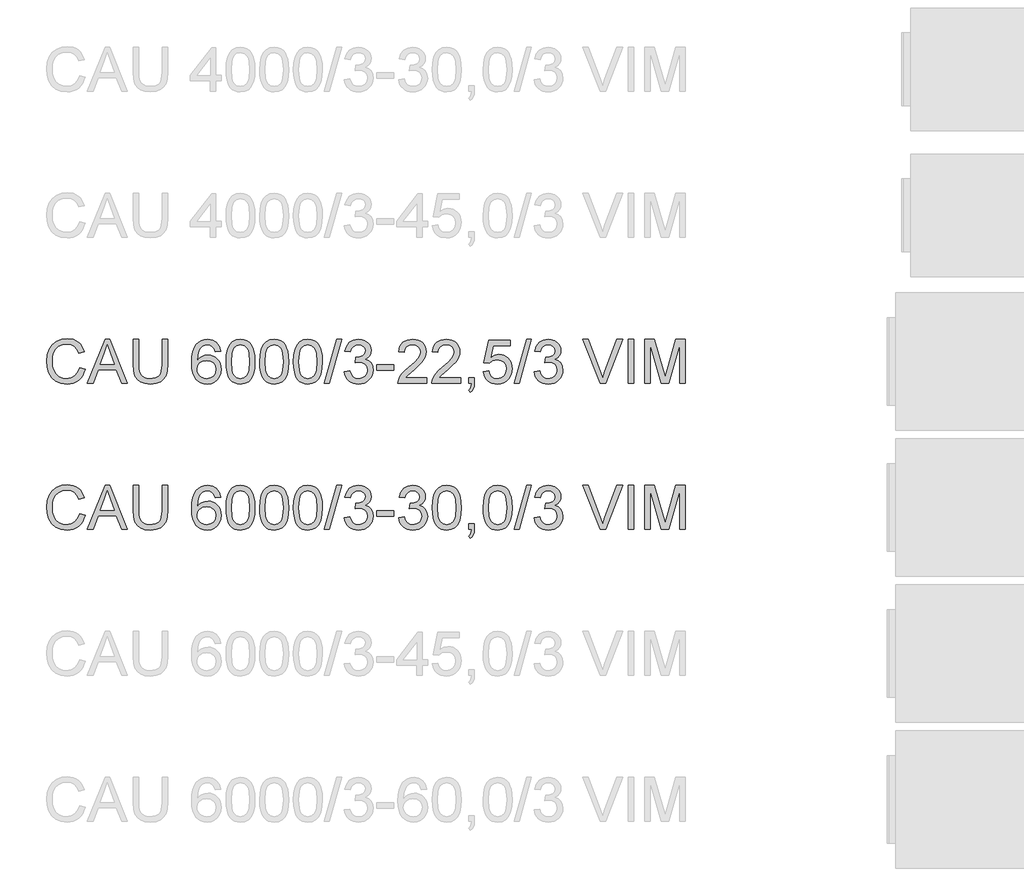
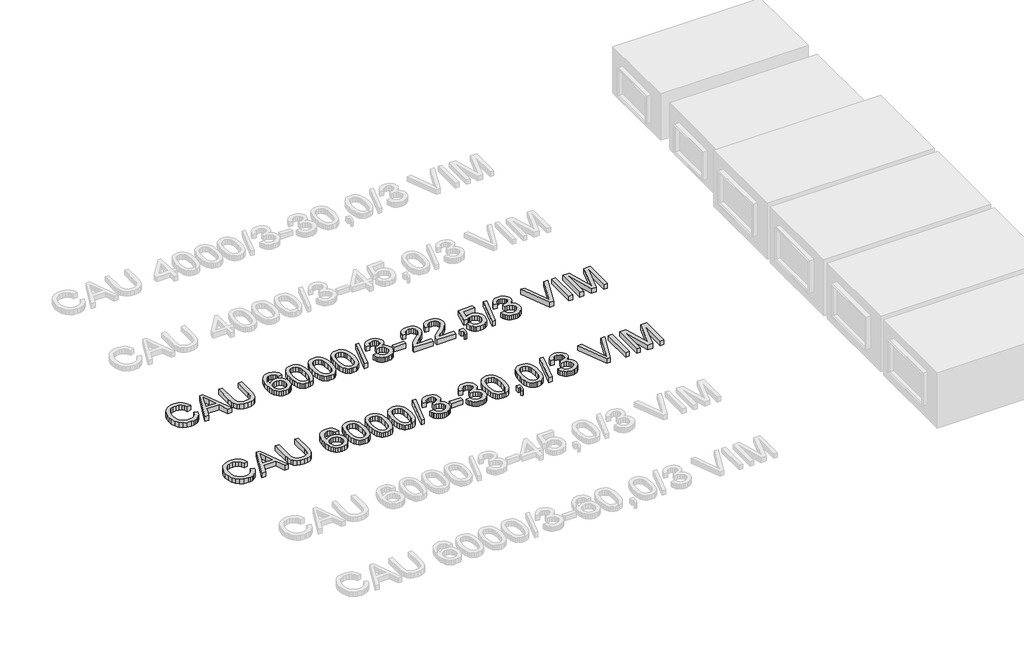
# One storey, part 60 of 74: 2 proxies.
"""IFC4 building model written with IfcOpenShell, lengths in millimetres."""

from ifc_helpers import new_model, si_unit, origin, origin_with_axes, place, context, project, spatial, polyline, outline, extrude, element, save

model = new_model("IFC4")

# Units and contexts
model_context = context("Model", 3, world=origin())
ifc_project = project(units=[si_unit("LENGTHUNIT", "METRE", prefix="MILLI")], contexts=[model_context])

# Site, building, storey
site = spatial("IfcSite", under=ifc_project)
building = spatial("IfcBuilding", under=site)
storey = spatial("IfcBuildingStorey", under=building, Elevation=0.0)

# Proxies
placement = place(None, origin())
element("IfcBuildingElementProxy", 1, Name="Generic Models", at=placement, inside=storey, context=model_context, shape_type="SweptSolid", body=[
    extrude(outline(polyline([(44539.6928381, -11799.1632103), (44577.3639544, -11808.875295), (44569.9097455, -11832.3024803), (44559.9815302, -11852.7728141), (44547.5793084, -11870.2862963), (44532.7030802, -11884.842927), (44515.688538, -11896.2863563), (44496.8713739, -11904.4602344), (44476.2515881, -11909.3645613), (44453.8291805, -11910.9993369), (44410.1339965, -11906.051324), (44375.4335273, -11891.2072855), (44348.835659, -11866.9822562), (44329.4482779, -11833.8912707), (44317.6116747, -11794.9877497), (44313.6661403, -11753.3251137), (44318.1267095, -11709.3816094), (44331.5084171, -11671.4345816), (44353.1122872, -11640.6888439), (44382.2393442, -11618.3492097), (44416.7834636, -11604.7467729), (44454.6385209, -11600.2126274), (44495.9424719, -11606.0803452), (44513.9112081, -11613.4149925), (44530.0911181, -11623.6834986), (44544.2154874, -11636.6145508), (44556.0176017, -11651.9368359), (44572.6550649, -11689.755105), (44534.9839486, -11698.7314257), (44521.9241378, -11671.2598377), (44504.081861, -11652.4150825), (44481.2363891, -11641.5165784), (44453.1669929, -11637.8837437), (44420.8117714, -11641.9120515), (44394.2322973, -11653.996975), (44374.0631669, -11672.8693214), (44360.9389767, -11697.2598977), (44353.7376866, -11724.8326532), (44351.3372566, -11753.2515373), (44354.179145, -11788.0531741), (44362.7048103, -11818.1459213), (44377.2361491, -11842.3801477), (44398.0950582, -11859.6062222), (44423.1018368, -11869.897721), (44450.0767841, -11873.3282206), (44481.5214977, -11868.6561192), (44507.7238928, -11854.6398152), (44527.5067471, -11831.4264613), (44539.6928381, -11799.1632103)])), origin_with_axes(), (0.0, 0.0, 1.0), 50.0),
    extrude(outline(polyline([(44594.065797, -11906.2904473), (44714.3632095, -11604.9215169), (44746.4425194, -11604.9215169), (44866.7399319, -11906.2904473), (44826.9351, -11906.2904473), (44792.4277688, -11812.1126566), (44668.3043837, -11812.1126566), (44633.8706289, -11906.2904473), (44594.065797, -11906.2904473)]), holes=[polyline([(44682.1367467, -11774.4415403), (44778.6689822, -11774.4415403), (44751.519291, -11700.3501064), (44730.4028644, -11642.5926332), (44711.6408827, -11693.8753833), (44682.1367467, -11774.4415403)])]), origin_with_axes(), (0.0, 0.0, 1.0), 50.0),
    extrude(outline(polyline([(45104.7595827, -11604.9215169), (45142.430699, -11604.9215169), (45142.430699, -11778.7825478), (45139.8739192, -11819.4978876), (45132.2035796, -11850.8506307), (45117.8745759, -11875.0388719), (45095.3418037, -11894.2607061), (45064.5500807, -11906.8146792), (45025.4442246, -11910.9993369), (44987.1936941, -11907.3573051), (44956.6135033, -11896.4312099), (44933.694455, -11878.5981302), (44918.4273522, -11854.235145), (44909.8465046, -11821.5580268), (44906.9862221, -11778.7825478), (44906.9862221, -11604.9215169), (44944.6573384, -11604.9215169), (44944.6573384, -11777.4581726), (44946.5151425, -11811.3125132), (44952.0885547, -11834.8845521), (44962.1869155, -11851.2093156), (44977.6195652, -11863.3218303), (44997.7427103, -11870.826623), (45021.9125574, -11873.3282206), (45060.2274672, -11868.3802077), (45074.5702665, -11862.1951917), (45085.7032954, -11853.5361692), (45094.0404211, -11841.3592752), (45099.9955109, -11824.6206444), (45104.7595827, -11777.4581726), (45104.7595827, -11604.9215169)])), origin_with_axes(), (0.0, 0.0, 1.0), 50.0),
    extrude(outline(polyline([(45505.0151935, -11684.972639), (45467.3440772, -11689.6815286), (45461.2740243, -11671.0115173), (45453.0702558, -11658.2644062), (45435.9821371, -11646.5105764), (45415.3255631, -11642.5926332), (45397.8143801, -11644.8735016), (45381.3332667, -11651.7161067), (45367.1790069, -11666.1278838), (45355.6183152, -11685.9659204), (45347.8100199, -11714.0261196), (45344.9129492, -11753.1043845), (45360.0237021, -11735.4736399), (45378.1326934, -11723.0484255), (45398.2282473, -11715.6815886), (45419.2986886, -11713.2259763), (45437.3984828, -11714.9044379), (45454.1003254, -11719.9398227), (45469.4042164, -11728.3321307), (45483.3101558, -11740.0813619), (45494.8662489, -11754.4885406), (45503.1206012, -11770.8546908), (45508.0732126, -11789.1798127), (45509.724083, -11809.4639062), (45506.6154802, -11836.4388535), (45497.2896716, -11861.4456321), (45482.5192095, -11882.6540292), (45463.076646, -11898.2338316), (45439.844898, -11907.8079606), (45413.7068823, -11910.9993369), (45391.2499857, -11908.8840154), (45370.9681915, -11902.538051), (45352.8614995, -11891.9614436), (45336.9299099, -11877.1541933), (45323.9413762, -11857.4909007), (45314.6638521, -11832.3461663), (45309.0973377, -11801.7199902), (45307.2418329, -11765.6123724), (45309.3019721, -11725.1315573), (45315.4823896, -11690.5828395), (45325.7830854, -11661.9662188), (45340.2040596, -11639.2816952), (45355.8344459, -11624.2491172), (45373.9572327, -11613.5115615), (45394.57242, -11607.069028), (45417.6800078, -11604.9215169), (45450.7342051, -11610.2374117), (45477.2033147, -11626.1850962), (45495.7445672, -11651.5137716), (45505.0151935, -11684.972639)]), holes=[polyline([(45344.9129492, -11808.875295), (45347.09265, -11825.5679405), (45353.6317525, -11841.506428), (45363.7852955, -11855.2100323), (45376.8083182, -11865.1980285), (45392.5260764, -11871.2956725), (45410.7638263, -11873.3282206), (45435.6234521, -11869.1159717), (45455.1671831, -11856.4792252), (45467.8315208, -11836.6135975), (45472.0529667, -11810.714705), (45467.8867031, -11785.8550792), (45455.3879123, -11766.8999594), (45435.5130875, -11754.8978093), (45409.2187219, -11750.8970926), (45384.3958843, -11754.8978093), (45363.6381427, -11766.8999594), (45349.5942476, -11785.3952267), (45344.9129492, -11808.875295)])]), origin_with_axes(), (0.0, 0.0, 1.0), 50.0),
    extrude(outline(polyline([(45542.6863098, -11758.0340033), (45545.4546218, -11709.7954767), (45553.7595578, -11671.324217), (45567.5183445, -11642.0316132), (45586.6482082, -11621.3290539), (45611.2871048, -11609.0234011), (45641.5729901, -11604.9215169), (45664.786344, -11607.3495381), (45685.5716767, -11614.6336016), (45702.954101, -11626.4885989), (45715.9587295, -11642.6294214), (45725.7811788, -11662.9181134), (45733.6170653, -11687.2167192), (45738.7490191, -11718.0728216), (45740.4596704, -11758.0340033), (45737.7189495, -11805.9966184), (45729.4967869, -11844.3759076), (45715.8207738, -11873.6961026), (45696.7185012, -11894.4814353), (45672.0244222, -11906.8698615), (45641.5729901, -11910.9993369), (45620.8244456, -11909.2059122), (45602.4303458, -11903.825638), (45586.3906908, -11894.8585143), (45572.7054806, -11882.3045413), (45559.5720934, -11859.6108207), (45550.1911025, -11831.3344908), (45544.562508, -11797.4755517), (45542.6863098, -11758.0340033)]), holes=[polyline([(45580.3574261, -11757.9604269), (45584.77201, -11817.2170193), (45590.29024, -11837.4850179), (45598.0157619, -11851.5128183), (45617.7342368, -11867.87437), (45641.5729901, -11873.3282206), (45665.4117434, -11867.8559759), (45685.1302183, -11851.4392419), (45692.8557402, -11837.3884489), (45698.3739702, -11817.1250488), (45702.7885541, -11757.9604269), (45698.5211229, -11700.0374067), (45693.186834, -11679.8360867), (45685.7188295, -11665.4748933), (45666.0371428, -11648.3131982), (45641.1315317, -11642.5926332), (45617.5502958, -11647.6326165), (45598.6043731, -11662.7525665), (45590.6213338, -11678.3875513), (45584.9191628, -11699.4671897), (45580.3574261, -11757.9604269)])]), origin_with_axes(), (0.0, 0.0, 1.0), 50.0),
    extrude(outline(polyline([(45773.4218972, -11758.0340033), (45776.1902092, -11709.7954767), (45784.4951452, -11671.324217), (45798.2539318, -11642.0316132), (45817.3837956, -11621.3290539), (45842.0226922, -11609.0234011), (45872.3085775, -11604.9215169), (45895.5219314, -11607.3495381), (45916.3072641, -11614.6336016), (45933.6896884, -11626.4885989), (45946.6943169, -11642.6294214), (45956.5167662, -11662.9181134), (45964.3526527, -11687.2167192), (45969.4846065, -11718.0728216), (45971.1952578, -11758.0340033), (45968.4545369, -11805.9966184), (45960.2323743, -11844.3759076), (45946.5563611, -11873.6961026), (45927.4540885, -11894.4814353), (45902.7600096, -11906.8698615), (45872.3085775, -11910.9993369), (45851.5600329, -11909.2059122), (45833.1659332, -11903.825638), (45817.1262782, -11894.8585143), (45803.441068, -11882.3045413), (45790.3076807, -11859.6108207), (45780.9266899, -11831.3344908), (45775.2980953, -11797.4755517), (45773.4218972, -11758.0340033)]), holes=[polyline([(45811.0930135, -11757.9604269), (45815.5075974, -11817.2170193), (45821.0258273, -11837.4850179), (45828.7513492, -11851.5128183), (45848.4698242, -11867.87437), (45872.3085775, -11873.3282206), (45896.1473308, -11867.8559759), (45915.8658057, -11851.4392419), (45923.5913276, -11837.3884489), (45929.1095575, -11817.1250488), (45933.5241415, -11757.9604269), (45929.2567103, -11700.0374067), (45923.9224214, -11679.8360867), (45916.4544169, -11665.4748933), (45896.7727302, -11648.3131982), (45871.8671191, -11642.5926332), (45848.2858832, -11647.6326165), (45829.3399604, -11662.7525665), (45821.3569211, -11678.3875513), (45815.6547502, -11699.4671897), (45811.0930135, -11757.9604269)])]), origin_with_axes(), (0.0, 0.0, 1.0), 50.0),
    extrude(outline(polyline([(46004.1574845, -11758.0340033), (46006.9257966, -11709.7954767), (46015.2307326, -11671.324217), (46028.9895192, -11642.0316132), (46048.119383, -11621.3290539), (46072.7582796, -11609.0234011), (46103.0441648, -11604.9215169), (46126.2575187, -11607.3495381), (46147.0428515, -11614.6336016), (46164.4252757, -11626.4885989), (46177.4299043, -11642.6294214), (46187.2523535, -11662.9181134), (46195.08824, -11687.2167192), (46200.2201939, -11718.0728216), (46201.9308451, -11758.0340033), (46199.1901243, -11805.9966184), (46190.9679617, -11844.3759076), (46177.2919485, -11873.6961026), (46158.1896759, -11894.4814353), (46133.495597, -11906.8698615), (46103.0441648, -11910.9993369), (46082.2956203, -11909.2059122), (46063.9015206, -11903.825638), (46047.8618656, -11894.8585143), (46034.1766553, -11882.3045413), (46021.0432681, -11859.6108207), (46011.6622772, -11831.3344908), (46006.0336827, -11797.4755517), (46004.1574845, -11758.0340033)]), holes=[polyline([(46041.8286008, -11757.9604269), (46046.2431848, -11817.2170193), (46051.7614147, -11837.4850179), (46059.4869366, -11851.5128183), (46079.2054116, -11867.87437), (46103.0441648, -11873.3282206), (46126.8829181, -11867.8559759), (46146.6013931, -11851.4392419), (46154.326915, -11837.3884489), (46159.8451449, -11817.1250488), (46164.2597288, -11757.9604269), (46159.9922977, -11700.0374067), (46154.6580088, -11679.8360867), (46147.1900043, -11665.4748933), (46127.5083175, -11648.3131982), (46102.6027065, -11642.5926332), (46079.0214706, -11647.6326165), (46060.0755478, -11662.7525665), (46052.0925085, -11678.3875513), (46046.3903376, -11699.4671897), (46041.8286008, -11757.9604269)])]), origin_with_axes(), (0.0, 0.0, 1.0), 50.0),
    extrude(outline(polyline([(46216.0575138, -11906.2904473), (46300.8175255, -11604.9215169), (46334.8098218, -11604.9215169), (46250.0498101, -11906.2904473), (46216.0575138, -11906.2904473)])), origin_with_axes(), (0.0, 0.0, 1.0), 50.0),
    extrude(outline(polyline([(46352.6153104, -11826.2393252), (46390.2864267, -11821.5304357), (46398.7201214, -11845.203642), (46411.0717594, -11861.1881147), (46427.9483459, -11870.2931941), (46449.9568863, -11873.3282206), (46475.7822024, -11869.1527599), (46495.7214065, -11856.626378), (46508.4685176, -11837.9379726), (46512.7175547, -11815.2764417), (46508.5053058, -11793.7645421), (46495.8685593, -11776.3177384), (46476.7386955, -11764.7570467), (46453.0470951, -11760.9034828), (46426.6331678, -11765.0237612), (46430.8270225, -11727.3526449), (46436.8602873, -11727.7941033), (46459.4298477, -11725.0901706), (46479.6081751, -11716.9783726), (46493.8452083, -11703.2563742), (46498.5908861, -11683.7218403), (46495.1511894, -11667.452259), (46484.8320994, -11654.2544924), (46469.08675, -11645.508098), (46449.3682751, -11642.5926332), (46429.613012, -11645.5356892), (46413.4629924, -11654.364857), (46401.6723744, -11669.0801369), (46394.9953162, -11689.6815286), (46357.3241999, -11684.972639), (46368.4158421, -11651.1458896), (46388.1527111, -11625.8907906), (46415.1552496, -11610.1638353), (46448.0438999, -11604.9215169), (46471.7263034, -11607.5058879), (46493.4773263, -11615.259001), (46511.8162438, -11627.4910773), (46525.2623307, -11643.5123382), (46533.5120845, -11661.9708173), (46536.2620024, -11681.5145483), (46533.6500402, -11699.724707), (46525.8141537, -11716.2426086), (46512.8647075, -11730.3140949), (46494.9120661, -11741.1850079), (46518.493302, -11750.7131516), (46535.9676968, -11766.9367476), (46546.7834274, -11788.9728791), (46550.388671, -11815.9386293), (46548.5860492, -11835.050099), (46543.1781839, -11852.6532524), (46534.165075, -11868.7480897), (46521.5467226, -11883.3346108), (46506.1738537, -11895.4379285), (46488.8971955, -11904.0831554), (46469.716748, -11909.2702915), (46448.6325111, -11910.9993369), (46429.5762238, -11909.5232104), (46412.2121936, -11905.0948309), (46396.5404206, -11897.7141983), (46382.5609048, -11887.3813128), (46370.8392647, -11874.7031795), (46361.941119, -11860.2868038), (46355.8664675, -11844.1321857), (46352.6153104, -11826.2393252)])), origin_with_axes(), (0.0, 0.0, 1.0), 50.0),
    extrude(outline(polyline([(46573.9331187, -11816.8215461), (46573.9331187, -11779.1504298), (46691.6553571, -11779.1504298), (46691.6553571, -11816.8215461), (46573.9331187, -11816.8215461)])), origin_with_axes(), (0.0, 0.0, 1.0), 50.0),
    extrude(outline(polyline([(46917.682055, -11868.619331), (46917.682055, -11906.2904473), (46719.9086944, -11906.2904473), (46723.9553963, -11880.3179785), (46733.2444167, -11860.0200894), (46746.8376564, -11840.3292056), (46766.500949, -11819.7186168), (46794.0001282, -11796.6616128), (46834.6510887, -11760.553995), (46859.0416649, -11733.9009444), (46871.2369531, -11712.2694831), (46875.3020491, -11691.226633), (46871.4668793, -11672.3634837), (46859.9613699, -11656.6825136), (46842.275443, -11646.1151033), (46819.8990206, -11642.5926332), (46796.4005582, -11646.0323299), (46778.1444142, -11656.3514198), (46766.3629933, -11672.7405627), (46762.2887002, -11694.3904181), (46724.6175839, -11689.6815286), (46733.7502544, -11653.242817), (46742.296613, -11638.7068796), (46753.4963205, -11626.6265546), (46767.0918595, -11617.1306006), (46782.8257126, -11610.3477763), (46820.708361, -11604.9215169), (46840.8981848, -11606.4298331), (46858.866921, -11610.9547816), (46874.6145696, -11618.4963625), (46888.1411308, -11629.0545758), (46899.0051459, -11641.8476722), (46906.7651568, -11656.0939024), (46911.4211633, -11671.7932666), (46912.9731654, -11688.9457646), (46911.2993023, -11706.9627853), (46906.2777131, -11724.6671063), (46897.3657718, -11742.67493), (46884.0208524, -11761.6024586), (46862.748076, -11784.1996102), (46830.0525637, -11813.2163026), (46786.7160647, -11849.4526791), (46769.7199165, -11868.619331), (46917.682055, -11868.619331)])), origin_with_axes(), (0.0, 0.0, 1.0), 50.0),
    extrude(outline(polyline([(47148.4176423, -11868.619331), (47148.4176423, -11906.2904473), (46950.6442817, -11906.2904473), (46954.6909837, -11880.3179785), (46963.9800041, -11860.0200894), (46977.5732438, -11840.3292056), (46997.2365364, -11819.7186168), (47024.7357156, -11796.6616128), (47065.386676, -11760.553995), (47089.7772523, -11733.9009444), (47101.9725404, -11712.2694831), (47106.0376365, -11691.226633), (47102.2024667, -11672.3634837), (47090.6969573, -11656.6825136), (47073.0110304, -11646.1151033), (47050.634608, -11642.5926332), (47027.1361456, -11646.0323299), (47008.8800016, -11656.3514198), (46997.0985807, -11672.7405627), (46993.0242876, -11694.3904181), (46955.3531713, -11689.6815286), (46964.4858418, -11653.242817), (46973.0322004, -11638.7068796), (46984.2319079, -11626.6265546), (46997.8274469, -11617.1306006), (47013.5613, -11610.3477763), (47051.4439484, -11604.9215169), (47071.6337722, -11606.4298331), (47089.6025084, -11610.9547816), (47105.350157, -11618.4963625), (47118.8767181, -11629.0545758), (47129.7407333, -11641.8476722), (47137.5007441, -11656.0939024), (47142.1567506, -11671.7932666), (47143.7087528, -11688.9457646), (47142.0348897, -11706.9627853), (47137.0133005, -11724.6671063), (47128.1013592, -11742.67493), (47114.7564398, -11761.6024586), (47093.4836634, -11784.1996102), (47060.7881511, -11813.2163026), (47017.4516521, -11849.4526791), (47000.4555039, -11868.619331), (47148.4176423, -11868.619331)])), origin_with_axes(), (0.0, 0.0, 1.0), 50.0),
    extrude(outline(polyline([(47204.9243168, -11906.2904473), (47204.9243168, -11868.619331), (47242.5954331, -11868.619331), (47242.5954331, -11906.2904473), (47240.9031759, -11927.8391352), (47235.8264044, -11944.8076922), (47227.0708129, -11957.8215178), (47214.3420959, -11967.5060113), (47204.9243168, -11953.3793427), (47213.0912971, -11946.5551317), (47218.7566798, -11937.1189585), (47223.6862986, -11906.2904473), (47204.9243168, -11906.2904473)])), origin_with_axes(), (0.0, 0.0, 1.0), 50.0),
    extrude(outline(polyline([(47303.8109971, -11826.2393252), (47341.4821134, -11821.5304357), (47348.3982949, -11844.1459813), (47360.4648244, -11860.3419861), (47377.6265194, -11870.081662), (47399.8281978, -11873.3282206), (47426.8307363, -11868.8124691), (47447.064246, -11855.2652146), (47459.7009926, -11834.2499556), (47463.9132414, -11807.3301906), (47459.967707, -11781.9831212), (47448.1311038, -11762.59574), (47428.3114613, -11750.2900873), (47400.416809, -11746.188203), (47382.1422709, -11747.8252779), (47367.3442177, -11752.7365026), (47346.1910029, -11769.7326507), (47308.5198866, -11765.0237612), (47341.4821134, -11609.6304064), (47487.4576891, -11609.6304064), (47487.4576891, -11647.3015227), (47371.9427426, -11647.3015227), (47355.8295112, -11730.2957008), (47382.7400792, -11713.9617403), (47410.9382341, -11708.5170867), (47429.2840493, -11710.2047454), (47446.135344, -11715.2677213), (47461.492118, -11723.7060146), (47475.3543715, -11735.5196252), (47486.8299904, -11749.9865846), (47495.0268611, -11766.3849246), (47499.9449836, -11784.714645), (47501.5843577, -11804.9757459), (47495.6798517, -11842.6468622), (47488.2992192, -11859.4406753), (47477.9663336, -11874.873325), (47462.3129547, -11890.6784552), (47444.0476137, -11901.9678339), (47423.1703104, -11908.7414611), (47399.681045, -11910.9993369), (47362.6813134, -11905.1959984), (47347.0026426, -11897.9418253), (47333.2047685, -11887.785983), (47321.724551, -11875.2343092), (47312.9988499, -11860.7926416), (47303.8109971, -11826.2393252)])), origin_with_axes(), (0.0, 0.0, 1.0), 50.0),
    extrude(outline(polyline([(47515.7110263, -11906.2904473), (47600.471038, -11604.9215169), (47634.4633344, -11604.9215169), (47549.7033227, -11906.2904473), (47515.7110263, -11906.2904473)])), origin_with_axes(), (0.0, 0.0, 1.0), 50.0),
    extrude(outline(polyline([(47652.2688229, -11826.2393252), (47689.9399392, -11821.5304357), (47698.373634, -11845.203642), (47710.725272, -11861.1881147), (47727.6018585, -11870.2931941), (47749.6103989, -11873.3282206), (47775.4357149, -11869.1527599), (47795.3749191, -11856.626378), (47808.1220302, -11837.9379726), (47812.3710672, -11815.2764417), (47808.1588184, -11793.7645421), (47795.5220719, -11776.3177384), (47776.3922081, -11764.7570467), (47752.7006076, -11760.9034828), (47726.2866804, -11765.0237612), (47730.4805351, -11727.3526449), (47736.5137998, -11727.7941033), (47759.0833602, -11725.0901706), (47779.2616877, -11716.9783726), (47793.4987209, -11703.2563742), (47798.2443986, -11683.7218403), (47794.804702, -11667.452259), (47784.485612, -11654.2544924), (47768.7402626, -11645.508098), (47749.0217877, -11642.5926332), (47729.2665245, -11645.5356892), (47713.1165049, -11654.364857), (47701.325887, -11669.0801369), (47694.6488288, -11689.6815286), (47656.9777125, -11684.972639), (47668.0693546, -11651.1458896), (47687.8062237, -11625.8907906), (47714.8087621, -11610.1638353), (47747.6974125, -11604.9215169), (47771.3798159, -11607.5058879), (47793.1308389, -11615.259001), (47811.4697563, -11627.4910773), (47824.9158433, -11643.5123382), (47833.165597, -11661.9708173), (47835.9155149, -11681.5145483), (47833.3035528, -11699.724707), (47825.4676663, -11716.2426086), (47812.51822, -11730.3140949), (47794.5655787, -11741.1850079), (47818.1468146, -11750.7131516), (47835.6212093, -11766.9367476), (47846.43694, -11788.9728791), (47850.0421835, -11815.9386293), (47848.2395618, -11835.050099), (47842.8316964, -11852.6532524), (47833.8185876, -11868.7480897), (47821.2002351, -11883.3346108), (47805.8273662, -11895.4379285), (47788.550708, -11904.0831554), (47769.3702605, -11909.2702915), (47748.2860237, -11910.9993369), (47729.2297363, -11909.5232104), (47711.8657062, -11905.0948309), (47696.1939332, -11897.7141983), (47682.2144173, -11887.3813128), (47670.4927773, -11874.7031795), (47661.5946315, -11860.2868038), (47655.5199801, -11844.1321857), (47652.2688229, -11826.2393252)])), origin_with_axes(), (0.0, 0.0, 1.0), 50.0),
    extrude(outline(polyline([(48103.8807602, -11906.2904473), (47983.9512298, -11604.9215169), (48024.2710965, -11604.9215169), (48104.5429478, -11822.0454704), (48120.803332, -11870.9737758), (48136.842987, -11822.0454704), (48217.3355675, -11604.9215169), (48257.6554342, -11604.9215169), (48142.8026753, -11906.2904473), (48103.8807602, -11906.2904473)])), origin_with_axes(), (0.0, 0.0, 1.0), 50.0),
    extrude(outline(polyline([(48297.3866897, -11906.2904473), (48297.3866897, -11604.9215169), (48335.057806, -11604.9215169), (48335.057806, -11906.2904473), (48297.3866897, -11906.2904473)])), origin_with_axes(), (0.0, 0.0, 1.0), 50.0),
    extrude(outline(polyline([(48410.4000386, -11906.2904473), (48410.4000386, -11604.9215169), (48475.2208461, -11604.9215169), (48536.8778685, -11817.3365809), (48549.31228, -11861.7031495), (48562.776761, -11813.657761), (48623.4037138, -11604.9215169), (48688.2245214, -11604.9215169), (48688.2245214, -11906.2904473), (48650.553405, -11906.2904473), (48650.553405, -11642.5926332), (48574.8432904, -11906.2904473), (48523.7812695, -11906.2904473), (48448.0711549, -11642.5926332), (48448.0711549, -11906.2904473), (48410.4000386, -11906.2904473)])), origin_with_axes(), (0.0, 0.0, 1.0), 50.0),
])
element("IfcBuildingElementProxy", 2, Name="Generic Models", at=placement, inside=storey, context=model_context, shape_type="SweptSolid", body=[
    extrude(outline(polyline([(44539.6928381, -12799.1632103), (44577.3639544, -12808.875295), (44569.9097455, -12832.3024803), (44559.9815302, -12852.7728141), (44547.5793084, -12870.2862963), (44532.7030802, -12884.842927), (44515.688538, -12896.2863563), (44496.8713739, -12904.4602344), (44476.2515881, -12909.3645613), (44453.8291805, -12910.9993369), (44410.1339965, -12906.051324), (44375.4335273, -12891.2072855), (44348.835659, -12866.9822562), (44329.4482779, -12833.8912707), (44317.6116747, -12794.9877497), (44313.6661403, -12753.3251137), (44318.1267095, -12709.3816094), (44331.5084171, -12671.4345816), (44353.1122872, -12640.6888439), (44382.2393442, -12618.3492097), (44416.7834636, -12604.7467729), (44454.6385209, -12600.2126274), (44495.9424719, -12606.0803452), (44513.9112081, -12613.4149925), (44530.0911181, -12623.6834986), (44544.2154874, -12636.6145508), (44556.0176017, -12651.9368359), (44572.6550649, -12689.755105), (44534.9839486, -12698.7314257), (44521.9241378, -12671.2598377), (44504.081861, -12652.4150825), (44481.2363891, -12641.5165784), (44453.1669929, -12637.8837437), (44420.8117714, -12641.9120515), (44394.2322973, -12653.996975), (44374.0631669, -12672.8693214), (44360.9389767, -12697.2598977), (44353.7376866, -12724.8326532), (44351.3372566, -12753.2515373), (44354.179145, -12788.0531741), (44362.7048103, -12818.1459213), (44377.2361491, -12842.3801477), (44398.0950582, -12859.6062222), (44423.1018368, -12869.897721), (44450.0767841, -12873.3282206), (44481.5214977, -12868.6561192), (44507.7238928, -12854.6398152), (44527.5067471, -12831.4264613), (44539.6928381, -12799.1632103)])), origin_with_axes(), (0.0, 0.0, 1.0), 50.0),
    extrude(outline(polyline([(44594.065797, -12906.2904473), (44714.3632095, -12604.9215169), (44746.4425194, -12604.9215169), (44866.7399319, -12906.2904473), (44826.9351, -12906.2904473), (44792.4277688, -12812.1126566), (44668.3043837, -12812.1126566), (44633.8706289, -12906.2904473), (44594.065797, -12906.2904473)]), holes=[polyline([(44682.1367467, -12774.4415403), (44778.6689822, -12774.4415403), (44751.519291, -12700.3501064), (44730.4028644, -12642.5926332), (44711.6408827, -12693.8753833), (44682.1367467, -12774.4415403)])]), origin_with_axes(), (0.0, 0.0, 1.0), 50.0),
    extrude(outline(polyline([(45104.7595827, -12604.9215169), (45142.430699, -12604.9215169), (45142.430699, -12778.7825478), (45139.8739192, -12819.4978876), (45132.2035796, -12850.8506307), (45117.8745759, -12875.0388719), (45095.3418037, -12894.2607061), (45064.5500807, -12906.8146792), (45025.4442246, -12910.9993369), (44987.1936941, -12907.3573051), (44956.6135033, -12896.4312099), (44933.694455, -12878.5981302), (44918.4273522, -12854.235145), (44909.8465046, -12821.5580268), (44906.9862221, -12778.7825478), (44906.9862221, -12604.9215169), (44944.6573384, -12604.9215169), (44944.6573384, -12777.4581726), (44946.5151425, -12811.3125132), (44952.0885547, -12834.8845521), (44962.1869155, -12851.2093156), (44977.6195652, -12863.3218303), (44997.7427103, -12870.826623), (45021.9125574, -12873.3282206), (45060.2274672, -12868.3802077), (45074.5702665, -12862.1951917), (45085.7032954, -12853.5361692), (45094.0404211, -12841.3592752), (45099.9955109, -12824.6206444), (45104.7595827, -12777.4581726), (45104.7595827, -12604.9215169)])), origin_with_axes(), (0.0, 0.0, 1.0), 50.0),
    extrude(outline(polyline([(45505.0151935, -12684.972639), (45467.3440772, -12689.6815286), (45461.2740243, -12671.0115173), (45453.0702558, -12658.2644062), (45435.9821371, -12646.5105764), (45415.3255631, -12642.5926332), (45397.8143801, -12644.8735016), (45381.3332667, -12651.7161067), (45367.1790069, -12666.1278838), (45355.6183152, -12685.9659204), (45347.8100199, -12714.0261196), (45344.9129492, -12753.1043845), (45360.0237021, -12735.4736399), (45378.1326934, -12723.0484255), (45398.2282473, -12715.6815886), (45419.2986886, -12713.2259763), (45437.3984828, -12714.9044379), (45454.1003254, -12719.9398227), (45469.4042164, -12728.3321307), (45483.3101558, -12740.0813619), (45494.8662489, -12754.4885406), (45503.1206012, -12770.8546908), (45508.0732126, -12789.1798127), (45509.724083, -12809.4639062), (45506.6154802, -12836.4388535), (45497.2896716, -12861.4456321), (45482.5192095, -12882.6540292), (45463.076646, -12898.2338316), (45439.844898, -12907.8079606), (45413.7068823, -12910.9993369), (45391.2499857, -12908.8840154), (45370.9681915, -12902.538051), (45352.8614995, -12891.9614436), (45336.9299099, -12877.1541933), (45323.9413762, -12857.4909007), (45314.6638521, -12832.3461663), (45309.0973377, -12801.7199902), (45307.2418329, -12765.6123724), (45309.3019721, -12725.1315573), (45315.4823896, -12690.5828395), (45325.7830854, -12661.9662188), (45340.2040596, -12639.2816952), (45355.8344459, -12624.2491172), (45373.9572327, -12613.5115615), (45394.57242, -12607.069028), (45417.6800078, -12604.9215169), (45450.7342051, -12610.2374117), (45477.2033147, -12626.1850962), (45495.7445672, -12651.5137716), (45505.0151935, -12684.972639)]), holes=[polyline([(45344.9129492, -12808.875295), (45347.09265, -12825.5679405), (45353.6317525, -12841.506428), (45363.7852955, -12855.2100323), (45376.8083182, -12865.1980285), (45392.5260764, -12871.2956725), (45410.7638263, -12873.3282206), (45435.6234521, -12869.1159717), (45455.1671831, -12856.4792252), (45467.8315208, -12836.6135975), (45472.0529667, -12810.714705), (45467.8867031, -12785.8550792), (45455.3879123, -12766.8999594), (45435.5130875, -12754.8978093), (45409.2187219, -12750.8970926), (45384.3958843, -12754.8978093), (45363.6381427, -12766.8999594), (45349.5942476, -12785.3952267), (45344.9129492, -12808.875295)])]), origin_with_axes(), (0.0, 0.0, 1.0), 50.0),
    extrude(outline(polyline([(45542.6863098, -12758.0340033), (45545.4546218, -12709.7954767), (45553.7595578, -12671.324217), (45567.5183445, -12642.0316132), (45586.6482082, -12621.3290539), (45611.2871048, -12609.0234011), (45641.5729901, -12604.9215169), (45664.786344, -12607.3495381), (45685.5716767, -12614.6336016), (45702.954101, -12626.4885989), (45715.9587295, -12642.6294214), (45725.7811788, -12662.9181134), (45733.6170653, -12687.2167192), (45738.7490191, -12718.0728216), (45740.4596704, -12758.0340033), (45737.7189495, -12805.9966184), (45729.4967869, -12844.3759076), (45715.8207738, -12873.6961026), (45696.7185012, -12894.4814353), (45672.0244222, -12906.8698615), (45641.5729901, -12910.9993369), (45620.8244456, -12909.2059122), (45602.4303458, -12903.825638), (45586.3906908, -12894.8585143), (45572.7054806, -12882.3045413), (45559.5720934, -12859.6108207), (45550.1911025, -12831.3344908), (45544.562508, -12797.4755517), (45542.6863098, -12758.0340033)]), holes=[polyline([(45580.3574261, -12757.9604269), (45584.77201, -12817.2170193), (45590.29024, -12837.4850179), (45598.0157619, -12851.5128183), (45617.7342368, -12867.87437), (45641.5729901, -12873.3282206), (45665.4117434, -12867.8559759), (45685.1302183, -12851.4392419), (45692.8557402, -12837.3884489), (45698.3739702, -12817.1250488), (45702.7885541, -12757.9604269), (45698.5211229, -12700.0374067), (45693.186834, -12679.8360867), (45685.7188295, -12665.4748933), (45666.0371428, -12648.3131982), (45641.1315317, -12642.5926332), (45617.5502958, -12647.6326165), (45598.6043731, -12662.7525665), (45590.6213338, -12678.3875513), (45584.9191628, -12699.4671897), (45580.3574261, -12757.9604269)])]), origin_with_axes(), (0.0, 0.0, 1.0), 50.0),
    extrude(outline(polyline([(45773.4218972, -12758.0340033), (45776.1902092, -12709.7954767), (45784.4951452, -12671.324217), (45798.2539318, -12642.0316132), (45817.3837956, -12621.3290539), (45842.0226922, -12609.0234011), (45872.3085775, -12604.9215169), (45895.5219314, -12607.3495381), (45916.3072641, -12614.6336016), (45933.6896884, -12626.4885989), (45946.6943169, -12642.6294214), (45956.5167662, -12662.9181134), (45964.3526527, -12687.2167192), (45969.4846065, -12718.0728216), (45971.1952578, -12758.0340033), (45968.4545369, -12805.9966184), (45960.2323743, -12844.3759076), (45946.5563611, -12873.6961026), (45927.4540885, -12894.4814353), (45902.7600096, -12906.8698615), (45872.3085775, -12910.9993369), (45851.5600329, -12909.2059122), (45833.1659332, -12903.825638), (45817.1262782, -12894.8585143), (45803.441068, -12882.3045413), (45790.3076807, -12859.6108207), (45780.9266899, -12831.3344908), (45775.2980953, -12797.4755517), (45773.4218972, -12758.0340033)]), holes=[polyline([(45811.0930135, -12757.9604269), (45815.5075974, -12817.2170193), (45821.0258273, -12837.4850179), (45828.7513492, -12851.5128183), (45848.4698242, -12867.87437), (45872.3085775, -12873.3282206), (45896.1473308, -12867.8559759), (45915.8658057, -12851.4392419), (45923.5913276, -12837.3884489), (45929.1095575, -12817.1250488), (45933.5241415, -12757.9604269), (45929.2567103, -12700.0374067), (45923.9224214, -12679.8360867), (45916.4544169, -12665.4748933), (45896.7727302, -12648.3131982), (45871.8671191, -12642.5926332), (45848.2858832, -12647.6326165), (45829.3399604, -12662.7525665), (45821.3569211, -12678.3875513), (45815.6547502, -12699.4671897), (45811.0930135, -12757.9604269)])]), origin_with_axes(), (0.0, 0.0, 1.0), 50.0),
    extrude(outline(polyline([(46004.1574845, -12758.0340033), (46006.9257966, -12709.7954767), (46015.2307326, -12671.324217), (46028.9895192, -12642.0316132), (46048.119383, -12621.3290539), (46072.7582796, -12609.0234011), (46103.0441648, -12604.9215169), (46126.2575187, -12607.3495381), (46147.0428515, -12614.6336016), (46164.4252757, -12626.4885989), (46177.4299043, -12642.6294214), (46187.2523535, -12662.9181134), (46195.08824, -12687.2167192), (46200.2201939, -12718.0728216), (46201.9308451, -12758.0340033), (46199.1901243, -12805.9966184), (46190.9679617, -12844.3759076), (46177.2919485, -12873.6961026), (46158.1896759, -12894.4814353), (46133.495597, -12906.8698615), (46103.0441648, -12910.9993369), (46082.2956203, -12909.2059122), (46063.9015206, -12903.825638), (46047.8618656, -12894.8585143), (46034.1766553, -12882.3045413), (46021.0432681, -12859.6108207), (46011.6622772, -12831.3344908), (46006.0336827, -12797.4755517), (46004.1574845, -12758.0340033)]), holes=[polyline([(46041.8286008, -12757.9604269), (46046.2431848, -12817.2170193), (46051.7614147, -12837.4850179), (46059.4869366, -12851.5128183), (46079.2054116, -12867.87437), (46103.0441648, -12873.3282206), (46126.8829181, -12867.8559759), (46146.6013931, -12851.4392419), (46154.326915, -12837.3884489), (46159.8451449, -12817.1250488), (46164.2597288, -12757.9604269), (46159.9922977, -12700.0374067), (46154.6580088, -12679.8360867), (46147.1900043, -12665.4748933), (46127.5083175, -12648.3131982), (46102.6027065, -12642.5926332), (46079.0214706, -12647.6326165), (46060.0755478, -12662.7525665), (46052.0925085, -12678.3875513), (46046.3903376, -12699.4671897), (46041.8286008, -12757.9604269)])]), origin_with_axes(), (0.0, 0.0, 1.0), 50.0),
    extrude(outline(polyline([(46216.0575138, -12906.2904473), (46300.8175255, -12604.9215169), (46334.8098218, -12604.9215169), (46250.0498101, -12906.2904473), (46216.0575138, -12906.2904473)])), origin_with_axes(), (0.0, 0.0, 1.0), 50.0),
    extrude(outline(polyline([(46352.6153104, -12826.2393252), (46390.2864267, -12821.5304357), (46398.7201214, -12845.203642), (46411.0717594, -12861.1881147), (46427.9483459, -12870.2931941), (46449.9568863, -12873.3282206), (46475.7822024, -12869.1527599), (46495.7214065, -12856.626378), (46508.4685176, -12837.9379726), (46512.7175547, -12815.2764417), (46508.5053058, -12793.7645421), (46495.8685593, -12776.3177384), (46476.7386955, -12764.7570467), (46453.0470951, -12760.9034828), (46426.6331678, -12765.0237612), (46430.8270225, -12727.3526449), (46436.8602873, -12727.7941033), (46459.4298477, -12725.0901706), (46479.6081751, -12716.9783726), (46493.8452083, -12703.2563742), (46498.5908861, -12683.7218403), (46495.1511894, -12667.452259), (46484.8320994, -12654.2544924), (46469.08675, -12645.508098), (46449.3682751, -12642.5926332), (46429.613012, -12645.5356892), (46413.4629924, -12654.364857), (46401.6723744, -12669.0801369), (46394.9953162, -12689.6815286), (46357.3241999, -12684.972639), (46368.4158421, -12651.1458896), (46388.1527111, -12625.8907906), (46415.1552496, -12610.1638353), (46448.0438999, -12604.9215169), (46471.7263034, -12607.5058879), (46493.4773263, -12615.259001), (46511.8162438, -12627.4910773), (46525.2623307, -12643.5123382), (46533.5120845, -12661.9708173), (46536.2620024, -12681.5145483), (46533.6500402, -12699.724707), (46525.8141537, -12716.2426086), (46512.8647075, -12730.3140949), (46494.9120661, -12741.1850079), (46518.493302, -12750.7131516), (46535.9676968, -12766.9367476), (46546.7834274, -12788.9728791), (46550.388671, -12815.9386293), (46548.5860492, -12835.050099), (46543.1781839, -12852.6532524), (46534.165075, -12868.7480897), (46521.5467226, -12883.3346108), (46506.1738537, -12895.4379285), (46488.8971955, -12904.0831554), (46469.716748, -12909.2702915), (46448.6325111, -12910.9993369), (46429.5762238, -12909.5232104), (46412.2121936, -12905.0948309), (46396.5404206, -12897.7141983), (46382.5609048, -12887.3813128), (46370.8392647, -12874.7031795), (46361.941119, -12860.2868038), (46355.8664675, -12844.1321857), (46352.6153104, -12826.2393252)])), origin_with_axes(), (0.0, 0.0, 1.0), 50.0),
    extrude(outline(polyline([(46573.9331187, -12816.8215461), (46573.9331187, -12779.1504298), (46691.6553571, -12779.1504298), (46691.6553571, -12816.8215461), (46573.9331187, -12816.8215461)])), origin_with_axes(), (0.0, 0.0, 1.0), 50.0),
    extrude(outline(polyline([(46724.6175839, -12826.2393252), (46762.2887002, -12821.5304357), (46770.7223949, -12845.203642), (46783.0740329, -12861.1881147), (46799.9506195, -12870.2931941), (46821.9591598, -12873.3282206), (46847.7844759, -12869.1527599), (46867.72368, -12856.626378), (46880.4707912, -12837.9379726), (46884.7198282, -12815.2764417), (46880.5075794, -12793.7645421), (46867.8708328, -12776.3177384), (46848.7409691, -12764.7570467), (46825.0493686, -12760.9034828), (46798.6354413, -12765.0237612), (46802.8292961, -12727.3526449), (46808.8625608, -12727.7941033), (46831.4321212, -12725.0901706), (46851.6104486, -12716.9783726), (46865.8474818, -12703.2563742), (46870.5931596, -12683.7218403), (46867.1534629, -12667.452259), (46856.834373, -12654.2544924), (46841.0890236, -12645.508098), (46821.3705486, -12642.5926332), (46801.6152855, -12645.5356892), (46785.4652659, -12654.364857), (46773.674648, -12669.0801369), (46766.9975897, -12689.6815286), (46729.3264734, -12684.972639), (46740.4181156, -12651.1458896), (46760.1549846, -12625.8907906), (46787.1575231, -12610.1638353), (46820.0461734, -12604.9215169), (46843.7285769, -12607.5058879), (46865.4795999, -12615.259001), (46883.8185173, -12627.4910773), (46897.2646042, -12643.5123382), (46905.514358, -12661.9708173), (46908.2642759, -12681.5145483), (46905.6523137, -12699.724707), (46897.8164272, -12716.2426086), (46884.866981, -12730.3140949), (46866.9143396, -12741.1850079), (46890.4955755, -12750.7131516), (46907.9699703, -12766.9367476), (46918.785701, -12788.9728791), (46922.3909445, -12815.9386293), (46920.5883227, -12835.050099), (46915.1804574, -12852.6532524), (46906.1673485, -12868.7480897), (46893.5489961, -12883.3346108), (46878.1761272, -12895.4379285), (46860.899469, -12904.0831554), (46841.7190215, -12909.2702915), (46820.6347846, -12910.9993369), (46801.5784973, -12909.5232104), (46784.2144671, -12905.0948309), (46768.5426941, -12897.7141983), (46754.5631783, -12887.3813128), (46742.8415382, -12874.7031795), (46733.9433925, -12860.2868038), (46727.868741, -12844.1321857), (46724.6175839, -12826.2393252)])), origin_with_axes(), (0.0, 0.0, 1.0), 50.0),
    extrude(outline(polyline([(46955.3531713, -12758.0340033), (46958.1214833, -12709.7954767), (46966.4264193, -12671.324217), (46980.1852059, -12642.0316132), (46999.3150697, -12621.3290539), (47023.9539663, -12609.0234011), (47054.2398516, -12604.9215169), (47077.4532055, -12607.3495381), (47098.2385382, -12614.6336016), (47115.6209625, -12626.4885989), (47128.625591, -12642.6294214), (47138.4480403, -12662.9181134), (47146.2839268, -12687.2167192), (47151.4158806, -12718.0728216), (47153.1265319, -12758.0340033), (47150.385811, -12805.9966184), (47142.1636484, -12844.3759076), (47128.4876353, -12873.6961026), (47109.3853627, -12894.4814353), (47084.6912837, -12906.8698615), (47054.2398516, -12910.9993369), (47033.491307, -12909.2059122), (47015.0972073, -12903.825638), (46999.0575523, -12894.8585143), (46985.3723421, -12882.3045413), (46972.2389549, -12859.6108207), (46962.857964, -12831.3344908), (46957.2293694, -12797.4755517), (46955.3531713, -12758.0340033)]), holes=[polyline([(46993.0242876, -12757.9604269), (46997.4388715, -12817.2170193), (47002.9571014, -12837.4850179), (47010.6826233, -12851.5128183), (47030.4010983, -12867.87437), (47054.2398516, -12873.3282206), (47078.0786049, -12867.8559759), (47097.7970798, -12851.4392419), (47105.5226017, -12837.3884489), (47111.0408316, -12817.1250488), (47115.4554156, -12757.9604269), (47111.1879844, -12700.0374067), (47105.8536955, -12679.8360867), (47098.385691, -12665.4748933), (47078.7040043, -12648.3131982), (47053.7983932, -12642.5926332), (47030.2171573, -12647.6326165), (47011.2712345, -12662.7525665), (47003.2881952, -12678.3875513), (46997.5860243, -12699.4671897), (46993.0242876, -12757.9604269)])]), origin_with_axes(), (0.0, 0.0, 1.0), 50.0),
    extrude(outline(polyline([(47204.9243168, -12906.2904473), (47204.9243168, -12868.619331), (47242.5954331, -12868.619331), (47242.5954331, -12906.2904473), (47240.9031759, -12927.8391352), (47235.8264044, -12944.8076922), (47227.0708129, -12957.8215178), (47214.3420959, -12967.5060113), (47204.9243168, -12953.3793427), (47213.0912971, -12946.5551317), (47218.7566798, -12937.1189585), (47223.6862986, -12906.2904473), (47204.9243168, -12906.2904473)])), origin_with_axes(), (0.0, 0.0, 1.0), 50.0),
    extrude(outline(polyline([(47303.8109971, -12758.0340033), (47306.5793091, -12709.7954767), (47314.8842452, -12671.324217), (47328.6430318, -12642.0316132), (47347.7728955, -12621.3290539), (47372.4117922, -12609.0234011), (47402.6976774, -12604.9215169), (47425.9110313, -12607.3495381), (47446.696364, -12614.6336016), (47464.0787883, -12626.4885989), (47477.0834168, -12642.6294214), (47486.9058661, -12662.9181134), (47494.7417526, -12687.2167192), (47499.8737064, -12718.0728216), (47501.5843577, -12758.0340033), (47498.8436368, -12805.9966184), (47490.6214743, -12844.3759076), (47476.9454611, -12873.6961026), (47457.8431885, -12894.4814353), (47433.1491096, -12906.8698615), (47402.6976774, -12910.9993369), (47381.9491329, -12909.2059122), (47363.5550331, -12903.825638), (47347.5153781, -12894.8585143), (47333.8301679, -12882.3045413), (47320.6967807, -12859.6108207), (47311.3157898, -12831.3344908), (47305.6871953, -12797.4755517), (47303.8109971, -12758.0340033)]), holes=[polyline([(47341.4821134, -12757.9604269), (47345.8966974, -12817.2170193), (47351.4149273, -12837.4850179), (47359.1404492, -12851.5128183), (47378.8589241, -12867.87437), (47402.6976774, -12873.3282206), (47426.5364307, -12867.8559759), (47446.2549056, -12851.4392419), (47453.9804275, -12837.3884489), (47459.4986575, -12817.1250488), (47463.9132414, -12757.9604269), (47459.6458103, -12700.0374067), (47454.3115213, -12679.8360867), (47446.8435168, -12665.4748933), (47427.1618301, -12648.3131982), (47402.256219, -12642.5926332), (47378.6749831, -12647.6326165), (47359.7290604, -12662.7525665), (47351.7460211, -12678.3875513), (47346.0438501, -12699.4671897), (47341.4821134, -12757.9604269)])]), origin_with_axes(), (0.0, 0.0, 1.0), 50.0),
    extrude(outline(polyline([(47515.7110263, -12906.2904473), (47600.471038, -12604.9215169), (47634.4633344, -12604.9215169), (47549.7033227, -12906.2904473), (47515.7110263, -12906.2904473)])), origin_with_axes(), (0.0, 0.0, 1.0), 50.0),
    extrude(outline(polyline([(47652.2688229, -12826.2393252), (47689.9399392, -12821.5304357), (47698.373634, -12845.203642), (47710.725272, -12861.1881147), (47727.6018585, -12870.2931941), (47749.6103989, -12873.3282206), (47775.4357149, -12869.1527599), (47795.3749191, -12856.626378), (47808.1220302, -12837.9379726), (47812.3710672, -12815.2764417), (47808.1588184, -12793.7645421), (47795.5220719, -12776.3177384), (47776.3922081, -12764.7570467), (47752.7006076, -12760.9034828), (47726.2866804, -12765.0237612), (47730.4805351, -12727.3526449), (47736.5137998, -12727.7941033), (47759.0833602, -12725.0901706), (47779.2616877, -12716.9783726), (47793.4987209, -12703.2563742), (47798.2443986, -12683.7218403), (47794.804702, -12667.452259), (47784.485612, -12654.2544924), (47768.7402626, -12645.508098), (47749.0217877, -12642.5926332), (47729.2665245, -12645.5356892), (47713.1165049, -12654.364857), (47701.325887, -12669.0801369), (47694.6488288, -12689.6815286), (47656.9777125, -12684.972639), (47668.0693546, -12651.1458896), (47687.8062237, -12625.8907906), (47714.8087621, -12610.1638353), (47747.6974125, -12604.9215169), (47771.3798159, -12607.5058879), (47793.1308389, -12615.259001), (47811.4697563, -12627.4910773), (47824.9158433, -12643.5123382), (47833.165597, -12661.9708173), (47835.9155149, -12681.5145483), (47833.3035528, -12699.724707), (47825.4676663, -12716.2426086), (47812.51822, -12730.3140949), (47794.5655787, -12741.1850079), (47818.1468146, -12750.7131516), (47835.6212093, -12766.9367476), (47846.43694, -12788.9728791), (47850.0421835, -12815.9386293), (47848.2395618, -12835.050099), (47842.8316964, -12852.6532524), (47833.8185876, -12868.7480897), (47821.2002351, -12883.3346108), (47805.8273662, -12895.4379285), (47788.550708, -12904.0831554), (47769.3702605, -12909.2702915), (47748.2860237, -12910.9993369), (47729.2297363, -12909.5232104), (47711.8657062, -12905.0948309), (47696.1939332, -12897.7141983), (47682.2144173, -12887.3813128), (47670.4927773, -12874.7031795), (47661.5946315, -12860.2868038), (47655.5199801, -12844.1321857), (47652.2688229, -12826.2393252)])), origin_with_axes(), (0.0, 0.0, 1.0), 50.0),
    extrude(outline(polyline([(48103.8807602, -12906.2904473), (47983.9512298, -12604.9215169), (48024.2710965, -12604.9215169), (48104.5429478, -12822.0454704), (48120.803332, -12870.9737758), (48136.842987, -12822.0454704), (48217.3355675, -12604.9215169), (48257.6554342, -12604.9215169), (48142.8026753, -12906.2904473), (48103.8807602, -12906.2904473)])), origin_with_axes(), (0.0, 0.0, 1.0), 50.0),
    extrude(outline(polyline([(48297.3866897, -12906.2904473), (48297.3866897, -12604.9215169), (48335.057806, -12604.9215169), (48335.057806, -12906.2904473), (48297.3866897, -12906.2904473)])), origin_with_axes(), (0.0, 0.0, 1.0), 50.0),
    extrude(outline(polyline([(48410.4000386, -12906.2904473), (48410.4000386, -12604.9215169), (48475.2208461, -12604.9215169), (48536.8778685, -12817.3365809), (48549.31228, -12861.7031495), (48562.776761, -12813.657761), (48623.4037138, -12604.9215169), (48688.2245214, -12604.9215169), (48688.2245214, -12906.2904473), (48650.553405, -12906.2904473), (48650.553405, -12642.5926332), (48574.8432904, -12906.2904473), (48523.7812695, -12906.2904473), (48448.0711549, -12642.5926332), (48448.0711549, -12906.2904473), (48410.4000386, -12906.2904473)])), origin_with_axes(), (0.0, 0.0, 1.0), 50.0),
])

save(model, "model.ifc")
